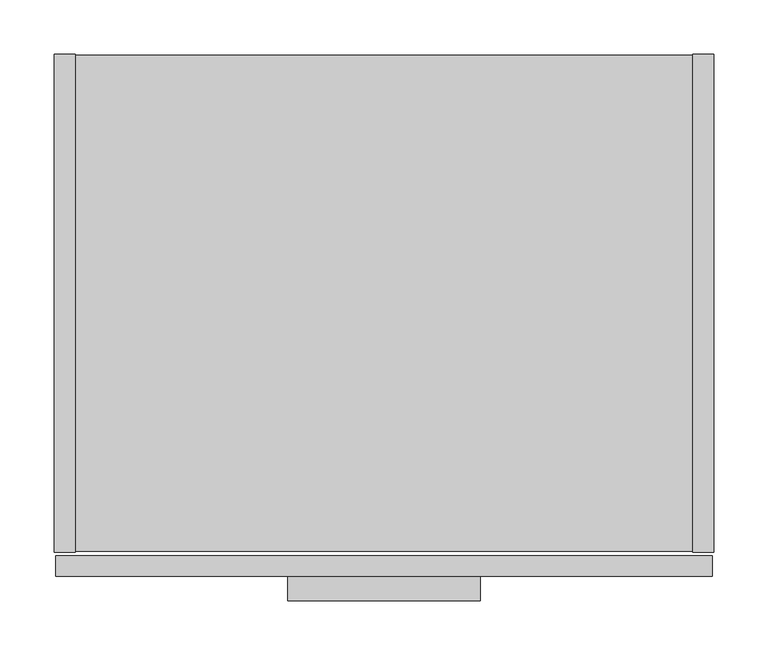
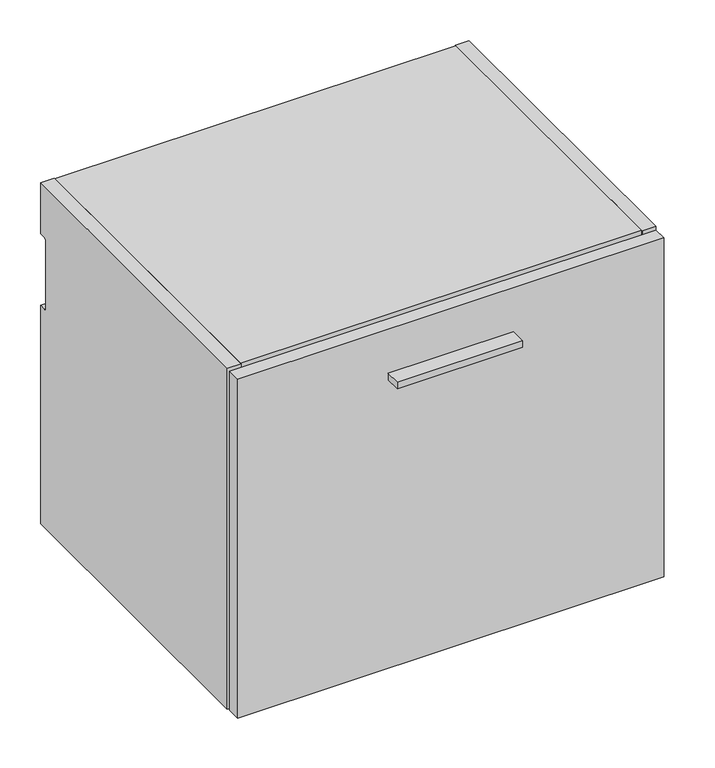
"""IFC4 building model written with IfcOpenShell, lengths in millimetres: furniture geometry."""

from ifc_helpers import new_model, si_unit, point, frame, frame_2d, origin, place, context, project, spatial, polyline, circle_curve, trimmed, segment, composite_curve, outline, extrude, source, transform, mapped, element, save


def furniture_0ca70c22(model_context):
    return source(origin(), model_context, "Body", "SweptSolid", [
        extrude(outline(polyline([(393.7, -504.825), (215.9, -504.825), (215.9, -482.6), (393.7, -482.6), (393.7, -504.825)])), frame((0.0, 0.0, 809.9425), z_axis=(0.0, 0.0, 1.0), x_axis=(1.0, 0.0, 0.0)), (0.0, 0.0, 1.0), 9.525),
        extrude(outline(polyline([(608.0125, -482.6), (1.5875, -482.6), (1.5875, -463.296), (608.0125, -463.296), (608.0125, -482.6)])), frame((0.0, 0.0, 376.4026), z_axis=(0.0, 0.0, 1.0), x_axis=(1.0, 0.0, 0.0)), (0.0, 0.0, 1.0), 509.4224),
        extrude(outline(composite_curve([segment(polyline([(-460.121, 889.0), (0.0, 889.0), (0.0, 812.292), (-9.3963729, 812.292)]), True, "CONTINUOUS"), segment(trimmed(circle_curve(frame_2d((-9.3963729, 808.9883729)), 3.3036271), [point((-9.3963729, 812.292))], [point((-12.7, 808.9883729))], True, "CARTESIAN"), True, "CONTINUOUS"), segment(polyline([(-12.7, 808.9883729), (-12.7, 707.644)]), True, "CONTINUOUS"), segment(trimmed(circle_curve(frame_2d((-9.398, 707.644)), 3.302), [point((-12.7, 707.644))], [point((-9.398, 704.342))], True, "CARTESIAN"), True, "CONTINUOUS"), segment(polyline([(-9.398, 704.342), (0.0, 704.342), (0.0, 376.428), (-460.121, 376.428), (-460.121, 889.0)]), True, "CONTINUOUS")], self_intersect=False)), frame((590.296, 0.0, 0.0), z_axis=(1.0, 0.0, 0.0), x_axis=(0.0, 1.0, 0.0)), (0.0, 0.0, 1.0), 19.304),
        extrude(outline(polyline([(590.296, -0.9906), (590.296, -459.1304), (19.304, -459.1304), (19.304, -0.9906), (590.296, -0.9906)])), frame((0.0, 0.0, 377.4186), z_axis=(0.0, 0.0, 1.0), x_axis=(1.0, 0.0, 0.0)), (0.0, 0.0, 1.0), 19.304),
        extrude(outline(composite_curve([segment(polyline([(-32.004, 869.696), (-11.938, 869.696), (-11.938, 811.0988429)]), True, "CONTINUOUS"), segment(trimmed(circle_curve(frame_2d((-9.3963729, 808.9883729)), 3.3036271), [point((-11.938, 811.0988429))], [point((-12.7, 808.9883729))], True, "CARTESIAN"), True, "CONTINUOUS"), segment(polyline([(-12.7, 808.9883729), (-12.7, 707.644)]), True, "CONTINUOUS"), segment(trimmed(circle_curve(frame_2d((-9.398, 707.644)), 3.302), [point((-12.7, 707.644))], [point((-11.938, 705.5341175))], True, "CARTESIAN"), True, "CONTINUOUS"), segment(polyline([(-11.938, 705.5341175), (-11.938, 396.7226), (-32.004, 396.7226), (-32.004, 869.696)]), True, "CONTINUOUS")], self_intersect=False)), frame((19.304, 0.0, 0.0), z_axis=(1.0, 0.0, 0.0), x_axis=(0.0, 1.0, 0.0)), (0.0, 0.0, 1.0), 570.992),
        extrude(outline(composite_curve([segment(polyline([(-460.121, 889.0), (0.0, 889.0), (0.0, 812.292), (-9.3963729, 812.292)]), True, "CONTINUOUS"), segment(trimmed(circle_curve(frame_2d((-9.3963729, 808.9883729)), 3.3036271), [point((-9.3963729, 812.292))], [point((-12.7, 808.9883729))], True, "CARTESIAN"), True, "CONTINUOUS"), segment(polyline([(-12.7, 808.9883729), (-12.7, 707.644)]), True, "CONTINUOUS"), segment(trimmed(circle_curve(frame_2d((-9.398, 707.644)), 3.302), [point((-12.7, 707.644))], [point((-9.398, 704.342))], True, "CARTESIAN"), True, "CONTINUOUS"), segment(polyline([(-9.398, 704.342), (0.0, 704.342), (0.0, 376.428), (-460.121, 376.428), (-460.121, 889.0)]), True, "CONTINUOUS")], self_intersect=False)), frame((0.0, 0.0, 0.0), z_axis=(1.0, 0.0, 0.0), x_axis=(0.0, 1.0, 0.0)), (0.0, 0.0, 1.0), 19.304),
        extrude(outline(polyline([(590.296, -459.1304), (19.304, -459.1304), (19.304, -0.9906), (590.296, -0.9906), (590.296, -459.1304)])), frame((0.0, 0.0, 869.696), z_axis=(0.0, 0.0, 1.0), x_axis=(1.0, 0.0, 0.0)), (0.0, 0.0, 1.0), 19.304),
    ])


if __name__ == "__main__":
    model = new_model("IFC4")
    model_context = context("Model", 3, world=origin())
    ifc_project = project(units=[si_unit("LENGTHUNIT", "METRE", prefix="MILLI")], contexts=[model_context])
    site = spatial("IfcSite", under=ifc_project)
    building = spatial("IfcBuilding", under=site)
    placement = place(None, origin())
    furniture_shape = furniture_0ca70c22(model_context)
    element("IfcFurniture", 1, at=placement, inside=building, context=model_context, shape_type="MappedRepresentation", body=[
        mapped(furniture_shape, transform((0.0, 0.0, 0.0), x_axis=(1.0, 0.0, 0.0), y_axis=(0.0, 1.0, 0.0), z_axis=(0.0, 0.0, 1.0))),
    ])
    save(model, "model.ifc")
